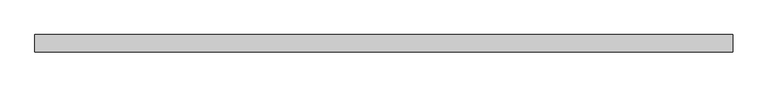
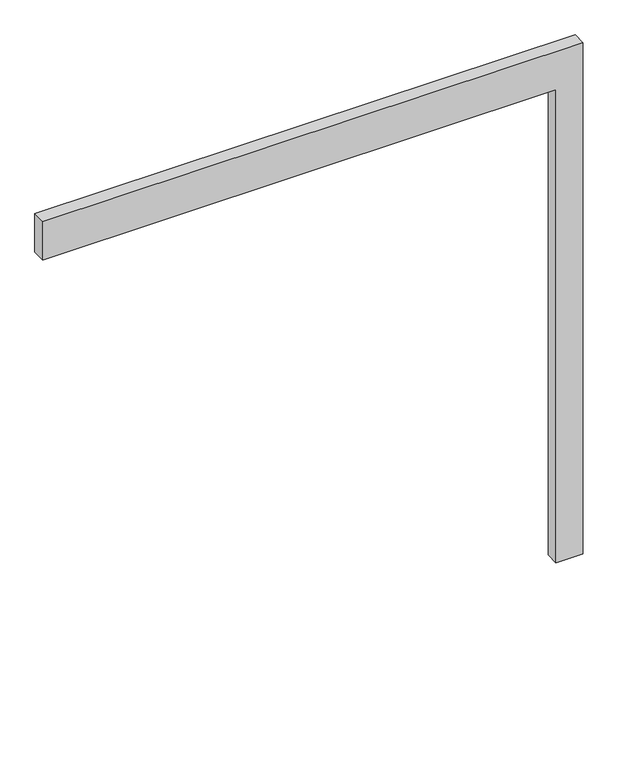
"""IFC4 building model written with IfcOpenShell, lengths in millimetres: proxy geometry."""

from ifc_helpers import new_model, si_unit, frame, origin, place, context, project, spatial, polyline, outline, extrude, source, transform, mapped, element, save


def generic_models_72fbd4a1(model_context):
    return source(origin(), model_context, "Body", "SweptSolid", [
        extrude(outline(polyline([(1850.0, -1900.0), (1850.0, 0.0), (0.0, 0.0), (0.0, 100.0), (2000.0, 100.0), (2000.0, -1900.0), (1850.0, -1900.0)])), frame((0.0, -50.0, 0.0), z_axis=(0.0, 1.0, 0.0), x_axis=(0.0, 0.0, 1.0)), (0.0, 0.0, 1.0), 50.0),
    ])


if __name__ == "__main__":
    model = new_model("IFC4")
    model_context = context("Model", 3, world=origin())
    ifc_project = project(units=[si_unit("LENGTHUNIT", "METRE", prefix="MILLI")], contexts=[model_context])
    site = spatial("IfcSite", under=ifc_project)
    building = spatial("IfcBuilding", under=site)
    placement = place(None, origin())
    generic_models_shape = generic_models_72fbd4a1(model_context)
    element("IfcBuildingElementProxy", 1, Name="Generic Models", at=placement, inside=building, context=model_context, shape_type="MappedRepresentation", body=[
        mapped(generic_models_shape, transform((0.0, 0.0, 0.0), x_axis=(1.0, 0.0, 0.0), y_axis=(0.0, 1.0, 0.0), z_axis=(0.0, 0.0, 1.0))),
    ])
    save(model, "model.ifc")
